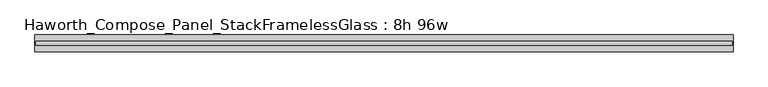
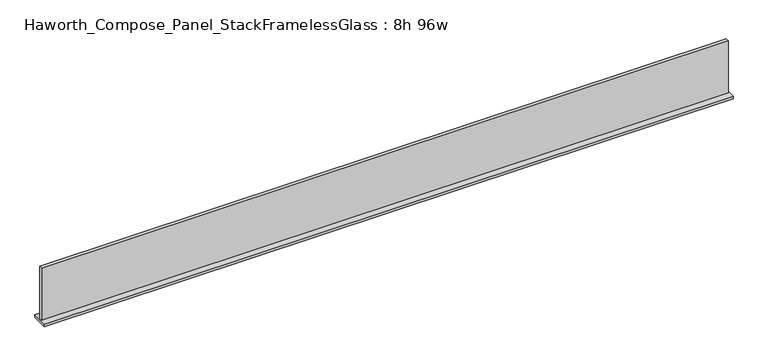
"""IFC4 building model written with IfcOpenShell, lengths in millimetres: furniture geometry, Haworth_Compose_Panel_StackFramelessGlass : 8h 96w."""

from ifc_helpers import new_model, si_unit, frame, origin, place, context, project, spatial, polyline, outline, extrude, source, transform, mapped, element, save


def haworth_compose_panel_stackframelessglass_8h_96w_95f7eb14(model_context):
    return source(origin(), model_context, "Body", "SweptSolid", [
        extrude(outline(polyline([(1218.4652902, -27.3093594), (-1213.5847098, -27.3093594), (-1213.5847098, -14.6093594), (1218.4652902, -14.6093594), (1218.4652902, -27.3093594)])), frame((0.0, 0.0, 1279.525), z_axis=(0.0, 0.0, 1.0), x_axis=(1.0, 0.0, 0.0)), (0.0, 0.0, 1.0), 193.675),
        extrude(outline(polyline([(-1216.7597098, -50.3281094), (-1216.7597098, 8.4093906), (1221.6402902, 8.4093906), (1221.6402902, -50.3281094), (-1216.7597098, -50.3281094)])), frame((0.0, 0.0, 1270.0), z_axis=(0.0, 0.0, 1.0), x_axis=(1.0, 0.0, 0.0)), (0.0, 0.0, 1.0), 9.525),
    ])


if __name__ == "__main__":
    model = new_model("IFC4")
    model_context = context("Model", 3, world=origin())
    ifc_project = project(units=[si_unit("LENGTHUNIT", "METRE", prefix="MILLI")], contexts=[model_context])
    site = spatial("IfcSite", under=ifc_project)
    building = spatial("IfcBuilding", under=site)
    placement = place(None, origin())
    haworth_compose_panel_stackframelessglass_8h_96w_shape = haworth_compose_panel_stackframelessglass_8h_96w_95f7eb14(model_context)
    element("IfcFurniture", 1, ObjectType="Haworth_Compose_Panel_StackFramelessGlass : 8h 96w", at=placement, inside=building, context=model_context, shape_type="MappedRepresentation", body=[
        mapped(haworth_compose_panel_stackframelessglass_8h_96w_shape, transform((0.0, 0.0, 0.0), x_axis=(1.0, 0.0, 0.0), y_axis=(0.0, 1.0, 0.0), z_axis=(0.0, 0.0, 1.0))),
    ])
    save(model, "model.ifc")
